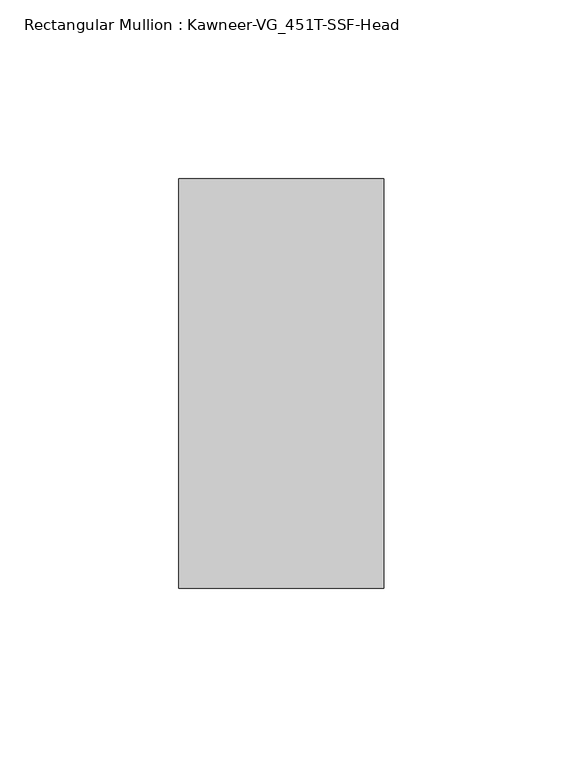
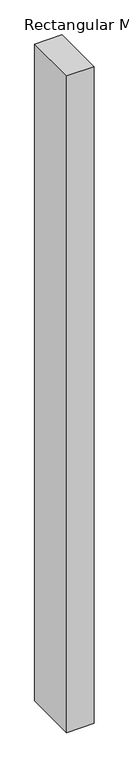
"""IFC4 building model written with IfcOpenShell, lengths in millimetres: member geometry, Rectangular Mullion : Kawneer-VG_451T-SSF-Head."""

from ifc_helpers import new_model, si_unit, frame, origin, place, context, project, spatial, polyline, outline, extrude, source, transform, mapped, element, save


def rectangular_mullion_kawneer_vg_451t_ssf_head_3aa4c174(model_context):
    return source(origin(), model_context, "Body", "SweptSolid", [
        extrude(outline(polyline([(-57.15, -57.15), (-57.15, 57.15), (0.0, 57.15), (0.0, -57.15), (-57.15, -57.15)])), frame((0.0, 0.0, -1439.8625), z_axis=(0.0, 0.0, 1.0), x_axis=(1.0, 0.0, 0.0)), (0.0, 0.0, 1.0), 1439.8625),
    ])


if __name__ == "__main__":
    model = new_model("IFC4")
    model_context = context("Model", 3, world=origin())
    ifc_project = project(units=[si_unit("LENGTHUNIT", "METRE", prefix="MILLI")], contexts=[model_context])
    site = spatial("IfcSite", under=ifc_project)
    building = spatial("IfcBuilding", under=site)
    placement = place(None, origin())
    rectangular_mullion_kawneer_vg_451t_ssf_head_shape = rectangular_mullion_kawneer_vg_451t_ssf_head_3aa4c174(model_context)
    element("IfcMember", 1, ObjectType="Rectangular Mullion : Kawneer-VG_451T-SSF-Head", at=placement, inside=building, context=model_context, shape_type="MappedRepresentation", body=[
        mapped(rectangular_mullion_kawneer_vg_451t_ssf_head_shape, transform((0.0, 0.0, 0.0), x_axis=(1.0, 0.0, 0.0), y_axis=(0.0, 1.0, 0.0), z_axis=(0.0, 0.0, 1.0))),
    ])
    save(model, "model.ifc")
